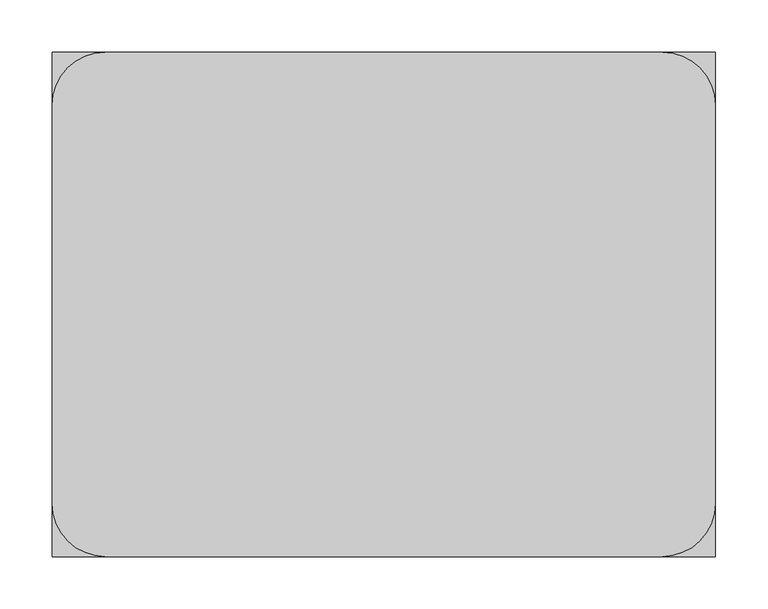
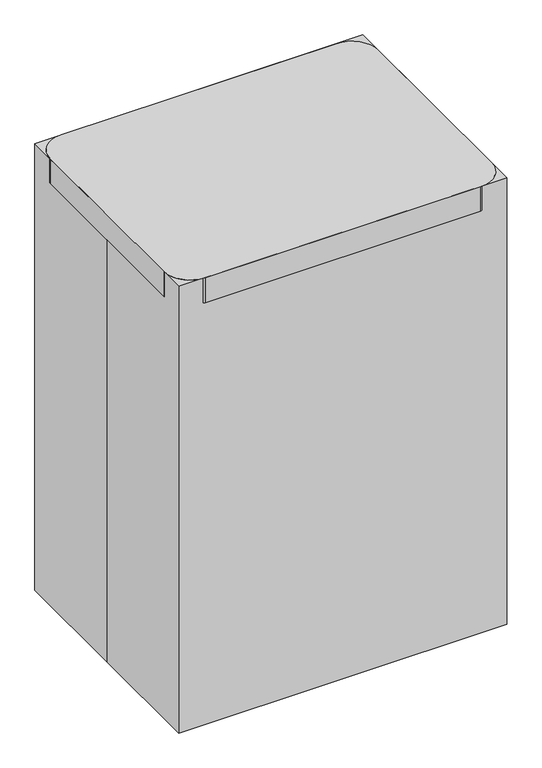
"""IFC4 building model written with IfcOpenShell, lengths in millimetres: proxy geometry."""

from ifc_helpers import new_model, si_unit, point, frame, frame_2d, origin, origin_with_axes, origin_2d, place, context, project, spatial, polyline, circle_curve, ellipse_curve, trimmed, segment, composite_curve, outline, extrude, source, transform, mapped, element, save
from ifc_brep_helpers import plane_surface, cylinder_surface, advanced_brep


def specialty_equipment_03fd019c(model_context):
    return source(origin(), model_context, "Body", "SolidModel", [
        advanced_brep(
        [(254.708912, 41.275, 854.075), (254.708912, 53.975, 854.075), (299.158912, 41.275, 854.075), (311.858912, 53.975, 854.075), (299.158912, -47.625, 854.075), (311.858912, -60.325, 854.075), (254.708912, -47.625, 854.075), (254.708912, -60.325, 854.075)],
        [
            (0, 1, circle_curve(frame((254.708912, 47.625, 854.075), z_axis=(-1.0, 0.0, 0.0), x_axis=(0.0, 1.0, 0.0)), 6.35)),
            (1, 0, circle_curve(frame((254.708912, 47.625, 854.075), z_axis=(-1.0, 0.0, 0.0), x_axis=(0.0, 1.0, 0.0)), 6.35)),
            (0, 2),
            (2, 3, ellipse_curve(frame((305.508912, 47.625, 854.075), z_axis=(-0.7071067811865452, 0.7071067811865498, 0.0), x_axis=(-0.7071067811865498, -0.7071067811865451, 0.0)), 8.9802561, 6.35)),
            (3, 1),
            (3, 2, ellipse_curve(frame((305.508912, 47.625, 854.075), z_axis=(-0.7071067811865452, 0.7071067811865498, 0.0), x_axis=(-0.7071067811865498, -0.7071067811865451, 0.0)), 8.9802561, 6.35)),
            (2, 4),
            (4, 5, ellipse_curve(frame((305.508912, -53.975, 854.075), z_axis=(0.7071067811865497, 0.7071067811865454, 0.0), x_axis=(-0.7071067811865454, 0.7071067811865496, 0.0)), 8.9802561, 6.35)),
            (5, 3),
            (5, 4, ellipse_curve(frame((305.508912, -53.975, 854.075), z_axis=(0.7071067811865497, 0.7071067811865454, 0.0), x_axis=(-0.7071067811865454, 0.7071067811865496, 0.0)), 8.9802561, 6.35)),
            (6, 7, circle_curve(frame((254.708912, -53.975, 854.075), z_axis=(-1.0, 0.0, 0.0), x_axis=(0.0, -1.0, 0.0)), 6.35)),
            (7, 6, circle_curve(frame((254.708912, -53.975, 854.075), z_axis=(-1.0, 0.0, 0.0), x_axis=(0.0, -1.0, 0.0)), 6.35)),
            (4, 6),
            (7, 5),
        ],
        [
            plane_surface(frame((254.708912, 47.625, 854.075), z_axis=(-1.0, 0.0, 0.0), x_axis=(0.0, 0.0, 1.0))),
            cylinder_surface(frame((254.708912, 47.625, 854.075), z_axis=(-1.0, 0.0, 0.0), x_axis=(0.0, 1.0, 0.0)), 6.35),
            cylinder_surface(frame((305.508912, 47.625, 854.075), z_axis=(0.0, 1.0, 0.0), x_axis=(1.0, 0.0, 0.0)), 6.35),
            plane_surface(frame((254.708912, -53.975, 854.075), z_axis=(-1.0, 0.0, 0.0), x_axis=(0.0, 0.0, 1.0))),
            cylinder_surface(frame((305.508912, -53.975, 854.075), z_axis=(1.0, 0.0, 0.0), x_axis=(0.0, -1.0, 0.0)), 6.35),
        ],
        [
            (0, [[1, 2]]),
            (1, [[-1, 3, 4, 5]]),
            (1, [[-2, -5, 6, -3]]),
            (2, [[-4, 7, 8, 9]]),
            (2, [[-6, -9, 10, -7]]),
            (3, [[11, 12]]),
            (4, [[-8, 13, -12, 14]]),
            (4, [[-10, -14, -11, -13]]),
        ],
    ),
        extrude(outline(polyline([(254.708912, 191.3169153), (254.708912, -189.6830847), (-253.291088, -189.6830847), (-253.291088, 191.3169153), (254.708912, 191.3169153)])), frame((0.0, 0.0, 844.55), z_axis=(0.0, 0.0, 1.0), x_axis=(1.0, 0.0, 0.0)), (0.0, 0.0, 1.0), 19.05),
        extrude(outline(composite_curve([segment(trimmed(circle_curve(frame_2d((266.7, 190.5)), 50.8), [point((266.7, 241.3))], [point((317.5, 190.5))], False, "CARTESIAN"), True, "CONTINUOUS"), segment(polyline([(317.5, 190.5), (317.5, -190.5)]), True, "CONTINUOUS"), segment(trimmed(circle_curve(frame_2d((266.7, -190.5)), 50.8), [point((317.5, -190.5))], [point((266.7, -241.3))], False, "CARTESIAN"), True, "CONTINUOUS"), segment(polyline([(266.7, -241.3), (-266.7, -241.3)]), True, "CONTINUOUS"), segment(trimmed(circle_curve(frame_2d((-266.7, -190.5)), 50.8), [point((-266.7, -241.3))], [point((-317.5, -190.5))], False, "CARTESIAN"), True, "CONTINUOUS"), segment(polyline([(-317.5, -190.5), (-317.5, 190.5)]), True, "CONTINUOUS"), segment(trimmed(circle_curve(frame_2d((-266.7, 190.5)), 50.8), [point((-317.5, 190.5))], [point((-266.7, 241.3))], False, "CARTESIAN"), True, "CONTINUOUS"), segment(polyline([(-266.7, 241.3), (266.7, 241.3)]), True, "CONTINUOUS")], self_intersect=False)), frame((0.0, 0.0, 863.6), z_axis=(0.0, 0.0, 1.0), x_axis=(1.0, 0.0, 0.0)), (0.0, 0.0, 1.0), 50.8),
        extrude(outline(composite_curve([segment(trimmed(circle_curve(frame_2d((25.4, -215.7677083)), 25.4), [point((25.4, -241.1677083))], [point((25.4, -190.3677083))], False, "CARTESIAN"), True, "CONTINUOUS"), segment(trimmed(circle_curve(frame_2d((25.4, -215.7677083)), 25.4), [point((25.4, -190.3677083))], [point((25.4, -241.1677083))], False, "CARTESIAN"), True, "CONTINUOUS")], self_intersect=False)), frame((0.0, 9.525, 0.0), z_axis=(0.0, 1.0, 0.0), x_axis=(0.0, 0.0, 1.0)), (0.0, 0.0, 1.0), 9.525),
        extrude(outline(composite_curve([segment(trimmed(circle_curve(frame_2d((25.4, -215.7677083)), 25.4), [point((25.4, -190.3677083))], [point((25.4, -241.1677083))], False, "CARTESIAN"), True, "CONTINUOUS"), segment(trimmed(circle_curve(frame_2d((25.4, -215.7677083)), 25.4), [point((25.4, -241.1677083))], [point((25.4, -190.3677083))], False, "CARTESIAN"), True, "CONTINUOUS")], self_intersect=False)), frame((0.0, -19.05, 0.0), z_axis=(0.0, 1.0, 0.0), x_axis=(0.0, 0.0, 1.0)), (0.0, 0.0, 1.0), 9.525),
        extrude(outline(composite_curve([segment(trimmed(circle_curve(frame_2d((139.5677083, 25.4)), 25.4), [point((164.9677083, 25.4))], [point((114.1677083, 25.4))], False, "CARTESIAN"), True, "CONTINUOUS"), segment(trimmed(circle_curve(frame_2d((139.5677083, 25.4)), 25.4), [point((114.1677083, 25.4))], [point((164.9677083, 25.4))], False, "CARTESIAN"), True, "CONTINUOUS")], self_intersect=False)), frame((9.525, 0.0, 0.0), z_axis=(1.0, 0.0, 0.0), x_axis=(0.0, 1.0, 0.0)), (0.0, 0.0, 1.0), 9.525),
        extrude(outline(composite_curve([segment(trimmed(circle_curve(frame_2d((139.5677083, 25.4)), 25.4), [point((114.1677083, 25.4))], [point((164.9677083, 25.4))], False, "CARTESIAN"), True, "CONTINUOUS"), segment(trimmed(circle_curve(frame_2d((139.5677083, 25.4)), 25.4), [point((164.9677083, 25.4))], [point((114.1677083, 25.4))], False, "CARTESIAN"), True, "CONTINUOUS")], self_intersect=False)), frame((-19.05, 0.0, 0.0), z_axis=(1.0, 0.0, 0.0), x_axis=(0.0, 1.0, 0.0)), (0.0, 0.0, 1.0), 9.525),
        extrude(outline(composite_curve([segment(trimmed(circle_curve(frame_2d((25.4, 215.9661458)), 25.4), [point((25.4, 190.5661458))], [point((25.4, 241.3661458))], False, "CARTESIAN"), True, "CONTINUOUS"), segment(trimmed(circle_curve(frame_2d((25.4, 215.9661458)), 25.4), [point((25.4, 241.3661458))], [point((25.4, 190.5661458))], False, "CARTESIAN"), True, "CONTINUOUS")], self_intersect=False)), frame((0.0, -19.05, 0.0), z_axis=(0.0, 1.0, 0.0), x_axis=(0.0, 0.0, 1.0)), (0.0, 0.0, 1.0), 9.525),
        extrude(outline(composite_curve([segment(trimmed(circle_curve(frame_2d((25.4, 215.9661458)), 25.4), [point((25.4, 190.5661458))], [point((25.4, 241.3661458))], False, "CARTESIAN"), True, "CONTINUOUS"), segment(trimmed(circle_curve(frame_2d((25.4, 215.9661458)), 25.4), [point((25.4, 241.3661458))], [point((25.4, 190.5661458))], False, "CARTESIAN"), True, "CONTINUOUS")], self_intersect=False)), frame((0.0, 9.525, 0.0), z_axis=(0.0, 1.0, 0.0), x_axis=(0.0, 0.0, 1.0)), (0.0, 0.0, 1.0), 9.525),
        extrude(outline(composite_curve([segment(trimmed(circle_curve(frame_2d((0.0, 148.034375)), 8.4666667), [point((-8.4666667, 148.034375))], [point((8.4666667, 148.034375))], False, "CARTESIAN"), True, "CONTINUOUS"), segment(trimmed(circle_curve(frame_2d((0.0, 148.034375)), 8.4666667), [point((8.4666667, 148.034375))], [point((-8.4666667, 148.034375))], False, "CARTESIAN"), True, "CONTINUOUS")], self_intersect=False)), frame((0.0, 0.0, 25.4), z_axis=(0.0, 0.0, 1.0), x_axis=(1.0, 0.0, 0.0)), (0.0, 0.0, 1.0), 25.4),
        extrude(outline(composite_curve([segment(trimmed(circle_curve(frame_2d((139.5677083, 25.4)), 16.9333333), [point((122.634375, 25.4))], [point((156.5010417, 25.4))], False, "CARTESIAN"), True, "CONTINUOUS"), segment(trimmed(circle_curve(frame_2d((139.5677083, 25.4)), 16.9333333), [point((156.5010417, 25.4))], [point((122.634375, 25.4))], False, "CARTESIAN"), True, "CONTINUOUS")], self_intersect=False)), frame((-9.525, 0.0, 0.0), z_axis=(1.0, 0.0, 0.0), x_axis=(0.0, 1.0, 0.0)), (0.0, 0.0, 1.0), 19.05),
        extrude(outline(composite_curve([segment(trimmed(circle_curve(frame_2d((224.4328125, 0.0)), 8.4666667), [point((224.4328125, 8.4666667))], [point((224.4328125, -8.4666667))], False, "CARTESIAN"), True, "CONTINUOUS"), segment(trimmed(circle_curve(frame_2d((224.4328125, 0.0)), 8.4666667), [point((224.4328125, -8.4666667))], [point((224.4328125, 8.4666667))], False, "CARTESIAN"), True, "CONTINUOUS")], self_intersect=False)), frame((0.0, 0.0, 25.4), z_axis=(0.0, 0.0, 1.0), x_axis=(1.0, 0.0, 0.0)), (0.0, 0.0, 1.0), 25.4),
        extrude(outline(composite_curve([segment(trimmed(circle_curve(frame_2d((25.4, 215.9661458)), 16.9333333), [point((25.4, 199.0328125))], [point((25.4, 232.8994792))], False, "CARTESIAN"), True, "CONTINUOUS"), segment(trimmed(circle_curve(frame_2d((25.4, 215.9661458)), 16.9333333), [point((25.4, 232.8994792))], [point((25.4, 199.0328125))], False, "CARTESIAN"), True, "CONTINUOUS")], self_intersect=False)), frame((0.0, -9.525, 0.0), z_axis=(0.0, 1.0, 0.0), x_axis=(0.0, 0.0, 1.0)), (0.0, 0.0, 1.0), 19.05),
        extrude(outline(composite_curve([segment(trimmed(circle_curve(frame_2d((-224.234375, 0.0)), 8.4666667), [point((-224.234375, -8.4666667))], [point((-224.234375, 8.4666667))], False, "CARTESIAN"), True, "CONTINUOUS"), segment(trimmed(circle_curve(frame_2d((-224.234375, 0.0)), 8.4666667), [point((-224.234375, 8.4666667))], [point((-224.234375, -8.4666667))], False, "CARTESIAN"), True, "CONTINUOUS")], self_intersect=False)), frame((0.0, 0.0, 25.4), z_axis=(0.0, 0.0, 1.0), x_axis=(1.0, 0.0, 0.0)), (0.0, 0.0, 1.0), 25.4),
        extrude(outline(composite_curve([segment(trimmed(circle_curve(frame_2d((25.4, -215.7677083)), 16.9333333), [point((25.4, -198.834375))], [point((25.4, -232.7010417))], False, "CARTESIAN"), True, "CONTINUOUS"), segment(trimmed(circle_curve(frame_2d((25.4, -215.7677083)), 16.9333333), [point((25.4, -232.7010417))], [point((25.4, -198.834375))], False, "CARTESIAN"), True, "CONTINUOUS")], self_intersect=False)), frame((0.0, -9.525, 0.0), z_axis=(0.0, 1.0, 0.0), x_axis=(0.0, 0.0, 1.0)), (0.0, 0.0, 1.0), 19.05),
        extrude(outline(composite_curve([segment(trimmed(circle_curve(frame_2d((-139.7165365, 25.4)), 25.4), [point((-114.3165365, 25.4))], [point((-165.1165365, 25.4))], False, "CARTESIAN"), True, "CONTINUOUS"), segment(trimmed(circle_curve(frame_2d((-139.7165365, 25.4)), 25.4), [point((-165.1165365, 25.4))], [point((-114.3165365, 25.4))], False, "CARTESIAN"), True, "CONTINUOUS")], self_intersect=False)), frame((-19.05, 0.0, 0.0), z_axis=(1.0, 0.0, 0.0), x_axis=(0.0, 1.0, 0.0)), (0.0, 0.0, 1.0), 9.525),
        extrude(outline(composite_curve([segment(trimmed(circle_curve(frame_2d((-139.7165365, 25.4)), 25.4), [point((-114.3165365, 25.4))], [point((-165.1165365, 25.4))], False, "CARTESIAN"), True, "CONTINUOUS"), segment(trimmed(circle_curve(frame_2d((-139.7165365, 25.4)), 25.4), [point((-165.1165365, 25.4))], [point((-114.3165365, 25.4))], False, "CARTESIAN"), True, "CONTINUOUS")], self_intersect=False)), frame((9.525, 0.0, 0.0), z_axis=(1.0, 0.0, 0.0), x_axis=(0.0, 1.0, 0.0)), (0.0, 0.0, 1.0), 9.525),
        extrude(outline(composite_curve([segment(trimmed(circle_curve(frame_2d((0.0, -148.1832031)), 8.4666667), [point((8.4666667, -148.1832031))], [point((-8.4666667, -148.1832031))], False, "CARTESIAN"), True, "CONTINUOUS"), segment(trimmed(circle_curve(frame_2d((0.0, -148.1832031)), 8.4666667), [point((-8.4666667, -148.1832031))], [point((8.4666667, -148.1832031))], False, "CARTESIAN"), True, "CONTINUOUS")], self_intersect=False)), frame((0.0, 0.0, 25.4), z_axis=(0.0, 0.0, 1.0), x_axis=(1.0, 0.0, 0.0)), (0.0, 0.0, 1.0), 25.4),
        extrude(outline(composite_curve([segment(trimmed(circle_curve(frame_2d((-139.7165365, 25.4)), 16.9333333), [point((-122.7832031, 25.4))], [point((-156.6498698, 25.4))], False, "CARTESIAN"), True, "CONTINUOUS"), segment(trimmed(circle_curve(frame_2d((-139.7165365, 25.4)), 16.9333333), [point((-156.6498698, 25.4))], [point((-122.7832031, 25.4))], False, "CARTESIAN"), True, "CONTINUOUS")], self_intersect=False)), frame((-9.525, 0.0, 0.0), z_axis=(1.0, 0.0, 0.0), x_axis=(0.0, 1.0, 0.0)), (0.0, 0.0, 1.0), 19.05),
        extrude(outline(polyline([(-165.1, 63.5), (-129.1166667, 63.5), (-44.45, 25.4), (44.45, 25.4), (129.1166667, 63.5), (165.1, 63.5), (165.1, 50.8), (130.3216772, 50.8), (45.6550105, 12.7), (-45.6550105, 12.7), (-130.3216772, 50.8), (-165.1, 50.8), (-165.1, 63.5)])), frame((-19.05, 0.0, 0.0), z_axis=(1.0, 0.0, 0.0), x_axis=(0.0, 1.0, 0.0)), (0.0, 0.0, 1.0), 38.1),
        extrude(outline(composite_curve([segment(trimmed(circle_curve(origin_2d(), 12.7), [point((-12.7, 0.0))], [point((12.7, 0.0))], False, "CARTESIAN"), True, "CONTINUOUS"), segment(trimmed(circle_curve(origin_2d(), 12.7), [point((12.7, 0.0))], [point((-12.7, 0.0))], False, "CARTESIAN"), True, "CONTINUOUS")], self_intersect=False)), frame((0.0, 0.0, 12.7), z_axis=(0.0, 0.0, 1.0), x_axis=(1.0, 0.0, 0.0)), (0.0, 0.0, 1.0), 831.85),
        extrude(outline(polyline([(63.5, -241.3), (50.8, -241.3), (50.8, -206.5216772), (12.7, -45.6550105), (12.7, 45.6550105), (50.8, 206.5216772), (50.8, 241.3), (63.5, 241.3), (63.5, 205.3166667), (25.4, 44.45), (25.4, -44.45), (63.5, -205.3166667), (63.5, -241.3)])), frame((0.0, -19.05, 0.0), z_axis=(0.0, 1.0, 0.0), x_axis=(0.0, 0.0, 1.0)), (0.0, 0.0, 1.0), 38.1),
        extrude(outline(polyline([(-317.5, 241.3), (317.5, 241.3), (317.5, -241.3), (-317.5, -241.3), (-317.5, 0.0), (-317.5, 241.3)])), origin_with_axes(), (0.0, 0.0, 1.0), 914.4),
    ])


if __name__ == "__main__":
    model = new_model("IFC4")
    model_context = context("Model", 3, world=origin())
    ifc_project = project(units=[si_unit("LENGTHUNIT", "METRE", prefix="MILLI")], contexts=[model_context])
    site = spatial("IfcSite", under=ifc_project)
    building = spatial("IfcBuilding", under=site)
    placement = place(None, origin())
    specialty_equipment_shape = specialty_equipment_03fd019c(model_context)
    element("IfcBuildingElementProxy", 1, Name="Specialty Equipment", at=placement, inside=building, context=model_context, shape_type="MappedRepresentation", body=[
        mapped(specialty_equipment_shape, transform((0.0, 0.0, 0.0), x_axis=(1.0, 0.0, 0.0), y_axis=(0.0, 1.0, 0.0), z_axis=(0.0, 0.0, 1.0))),
    ])
    save(model, "model.ifc")
